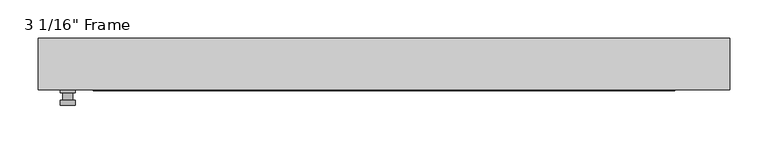
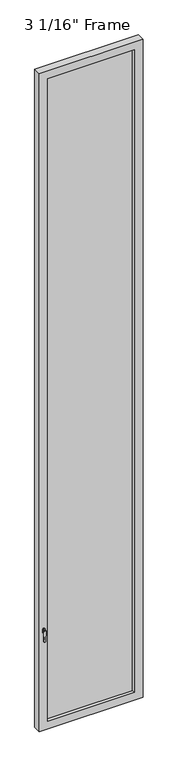
"""IFC4 building model written with IfcOpenShell, lengths in millimetres: plate geometry."""

from ifc_helpers import new_model, si_unit, frame, origin, place, context, project, spatial, polyline, circle_curve, outline, extrude, faceted_brep, source, transform, mapped, element, save
from ifc_brep_helpers import plane_surface, cylinder_surface, advanced_brep


def plate_d9e738a6(model_context):
    return source(origin(), model_context, "Body", "SolidModel", [
        advanced_brep(
        [(-401.6375, -33.3375, 927.1), (-401.6375, -33.3375, 901.7), (-420.6875, -33.3375, 901.7), (-420.6875, -33.3375, 927.1), (-404.8125, -46.0375, 914.4), (-417.5125, -46.0375, 914.4), (-417.5125, -36.5125, 914.4), (-404.8125, -36.5125, 914.4), (-401.6375, -46.0375, 914.4), (-404.8165356, -46.0375, 825.2736467), (-417.5084644, -46.0375, 825.2736467), (-420.6875, -46.0375, 914.4), (-401.6375, -52.3875, 914.4), (-420.6875, -52.3875, 914.4), (-417.5084644, -52.3875, 825.2736467), (-404.8165356, -52.3875, 825.2736467), (-401.6375, -36.5125, 927.1), (-420.6875, -36.5125, 927.1), (-420.6875, -36.5125, 901.7), (-401.6375, -36.5125, 901.7)],
        [
            (0, 1),
            (1, 2, circle_curve(frame((-411.1625, -33.3375, 901.7), z_axis=(0.0, 1.0, 0.0), x_axis=(-1.0, 0.0, 0.0)), 9.525)),
            (2, 3),
            (3, 0, circle_curve(frame((-411.1625, -33.3375, 927.1), z_axis=(0.0, 1.0, 0.0), x_axis=(-1.0, 0.0, 0.0)), 9.525)),
            (4, 5, circle_curve(frame((-411.1625, -46.0375, 914.4), z_axis=(0.0, 1.0, 0.0), x_axis=(-1.0, 0.0, 0.0)), 6.35)),
            (5, 6),
            (6, 7, circle_curve(frame((-411.1625, -36.5125, 914.4), z_axis=(0.0, -1.0, 0.0), x_axis=(-1.0, 0.0, 0.0)), 6.35)),
            (7, 4),
            (5, 4, circle_curve(frame((-411.1625, -46.0375, 914.4), z_axis=(0.0, 1.0, 0.0), x_axis=(-1.0, 0.0, 0.0)), 6.35)),
            (7, 6, circle_curve(frame((-411.1625, -36.5125, 914.4), z_axis=(0.0, -1.0, 0.0), x_axis=(-1.0, 0.0, 0.0)), 6.35)),
            (8, 9),
            (9, 10, circle_curve(frame((-411.1625, -46.0375, 825.5), z_axis=(0.0, 1.0, 0.0), x_axis=(-1.0, 0.0, 0.0)), 6.35)),
            (10, 11),
            (11, 8, circle_curve(frame((-411.1625, -46.0375, 914.4), z_axis=(0.0, 1.0, 0.0), x_axis=(-1.0, 0.0, 0.0)), 9.525)),
            (12, 13, circle_curve(frame((-411.1625, -52.3875, 914.4), z_axis=(0.0, -1.0, 0.0), x_axis=(-1.0, 0.0, 0.0)), 9.525)),
            (13, 14),
            (14, 15, circle_curve(frame((-411.1625, -52.3875, 825.5), z_axis=(0.0, -1.0, 0.0), x_axis=(-1.0, 0.0, 0.0)), 6.35)),
            (15, 12),
            (8, 12),
            (15, 9),
            (14, 10),
            (13, 11),
            (16, 17, circle_curve(frame((-411.1625, -36.5125, 927.1), z_axis=(0.0, -1.0, 0.0), x_axis=(-1.0, 0.0, 0.0)), 9.525)),
            (17, 18),
            (18, 19, circle_curve(frame((-411.1625, -36.5125, 901.7), z_axis=(0.0, -1.0, 0.0), x_axis=(-1.0, 0.0, 0.0)), 9.525)),
            (19, 16),
            (0, 16),
            (19, 1),
            (18, 2),
            (17, 3),
        ],
        [
            plane_surface(frame((-417.5125, -33.3375, 914.4), z_axis=(0.0, 1.0, 0.0), x_axis=(0.0, 0.0, 1.0))),
            cylinder_surface(frame((-411.1625, -46.0375, 914.4), z_axis=(0.0, 1.0, 0.0), x_axis=(-1.0, 0.0, 0.0)), 6.35),
            plane_surface(frame((-401.6375, -46.0375, 914.4), z_axis=(0.0, 1.0000000000000002, 0.0), x_axis=(-0.03564619348186888, 0.0, -0.9993644724975235))),
            plane_surface(frame((-401.6375, -52.3875, 914.4), z_axis=(0.0, -1.0000000000000002, 0.0), x_axis=(0.03564619348186888, 0.0, 0.9993644724975235))),
            plane_surface(frame((-401.6375, -46.0375, 914.4), z_axis=(0.9993644724975235, 0.0, -0.03564619348186888), x_axis=(0.0, -1.0, 0.0))),
            cylinder_surface(frame((-411.1625, -52.3875, 825.5), z_axis=(0.0, 1.0, 0.0), x_axis=(-1.0, 0.0, 0.0)), 6.35),
            plane_surface(frame((-417.5084644, -46.0375, 825.2736467), z_axis=(-0.9993644724975228, 0.0, -0.03564619348188612), x_axis=(0.0, -1.0, 0.0))),
            cylinder_surface(frame((-411.1625, -52.3875, 914.4), z_axis=(0.0, 1.0, 0.0), x_axis=(-1.0, 0.0, 0.0)), 9.525),
            plane_surface(frame((-401.6375, -36.5125, 901.7), z_axis=(0.0, -1.0, 0.0), x_axis=(0.0, 0.0, 1.0))),
            plane_surface(frame((-401.6375, -33.3375, 927.1), z_axis=(1.0, 0.0, 0.0), x_axis=(0.0, -1.0, 0.0))),
            cylinder_surface(frame((-411.1625, -36.5125, 901.7), z_axis=(0.0, 1.0, 0.0), x_axis=(-1.0, 0.0, 0.0)), 9.525),
            plane_surface(frame((-420.6875, -33.3375, 901.7), z_axis=(-1.0, 0.0, 0.0), x_axis=(0.0, -1.0, 0.0))),
            cylinder_surface(frame((-411.1625, -36.5125, 927.1), z_axis=(0.0, 1.0, 0.0), x_axis=(-1.0, 0.0, 0.0)), 9.525),
        ],
        [
            (0, [[1, 2, 3, 4]]),
            (1, [[5, 6, 7, 8]]),
            (1, [[9, -8, 10, -6]]),
            (2, [[11, 12, 13, 14], [-5, -9]]),
            (3, [[15, 16, 17, 18]]),
            (4, [[-11, 19, -18, 20]]),
            (5, [[-12, -20, -17, 21]]),
            (6, [[-13, -21, -16, 22]]),
            (7, [[-14, -22, -15, -19]]),
            (8, [[23, 24, 25, 26], [-7, -10]]),
            (9, [[-1, 27, -26, 28]]),
            (10, [[-2, -28, -25, 29]]),
            (11, [[-3, -29, -24, 30]]),
            (12, [[-4, -30, -23, -27]]),
        ],
    ),
        faceted_brep([(-449.2625, -33.3375, 0.0), (-449.2625, 33.3375, 0.0), (449.2625, 33.3375, 0.0), (449.2625, -33.3375, 0.0), (449.2625, -33.3375, 6021.3875), (-449.2625, -33.3375, 6021.3875), (-377.825, -33.3375, 5949.95), (377.825, -33.3375, 5949.95), (377.825, -33.3375, 71.4375), (-377.825, -33.3375, 71.4375), (-449.2625, 33.3375, 6021.3875), (449.2625, 33.3375, 6021.3875), (-377.825, 33.3375, 5949.95), (-377.825, 33.3375, 71.4375), (377.825, 33.3375, 71.4375), (377.825, 33.3375, 5949.95), (-371.475, 11.90625, 5943.6), (-371.475, 11.90625, 77.7875), (384.175, 11.90625, 5956.3), (-384.175, 11.90625, 5956.3), (-384.175, 11.90625, 65.0875), (384.175, 11.90625, 65.0875), (371.475, 11.90625, 5943.6), (371.475, 11.90625, 77.7875), (-384.175, -11.90625, 5956.3), (-384.175, -11.90625, 65.0875), (384.175, -11.90625, 5956.3), (384.175, -11.90625, 65.0875), (-371.475, -11.90625, 5943.6), (-371.475, -11.90625, 77.7875), (371.475, -11.90625, 77.7875), (371.475, -11.90625, 5943.6)], [[[0, 1, 2, 3]], [[0, 3, 4, 5], [6, 7, 8, 9]], [[1, 0, 5, 10]], [[2, 1, 10, 11], [12, 13, 14, 15]], [[12, 16, 17, 13]], [[18, 19, 20, 21], [16, 22, 23, 17]], [[20, 19, 24, 25]], [[24, 26, 27, 25], [28, 29, 30, 31]], [[28, 6, 9, 29]], [[5, 4, 11, 10]], [[12, 15, 22, 16]], [[19, 18, 26, 24]], [[7, 6, 28, 31]], [[4, 3, 2, 11]], [[22, 15, 14, 23]], [[27, 26, 18, 21]], [[7, 31, 30, 8]], [[9, 8, 30, 29]], [[21, 20, 25, 27]], [[17, 23, 14, 13]]]),
        extrude(outline(polyline([(384.175, -11.90625), (-384.175, -11.90625), (-384.175, 11.90625), (384.175, 11.90625), (384.175, -11.90625)])), frame((0.0, 0.0, 65.0875), z_axis=(0.0, 0.0, 1.0), x_axis=(1.0, 0.0, 0.0)), (0.0, 0.0, 1.0), 5891.2125),
    ])


if __name__ == "__main__":
    model = new_model("IFC4")
    model_context = context("Model", 3, world=origin())
    ifc_project = project(units=[si_unit("LENGTHUNIT", "METRE", prefix="MILLI")], contexts=[model_context])
    site = spatial("IfcSite", under=ifc_project)
    building = spatial("IfcBuilding", under=site)
    placement = place(None, origin())
    plate_shape = plate_d9e738a6(model_context)
    element("IfcPlate", 1, ObjectType="3 1/16\" Frame", at=placement, inside=building, context=model_context, shape_type="MappedRepresentation", body=[
        mapped(plate_shape, transform((0.0, 0.0, 0.0), x_axis=(1.0, 0.0, 0.0), y_axis=(0.0, 1.0, 0.0), z_axis=(0.0, 0.0, 1.0))),
    ])
    save(model, "model.ifc")
